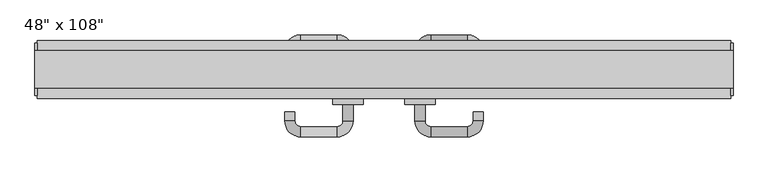
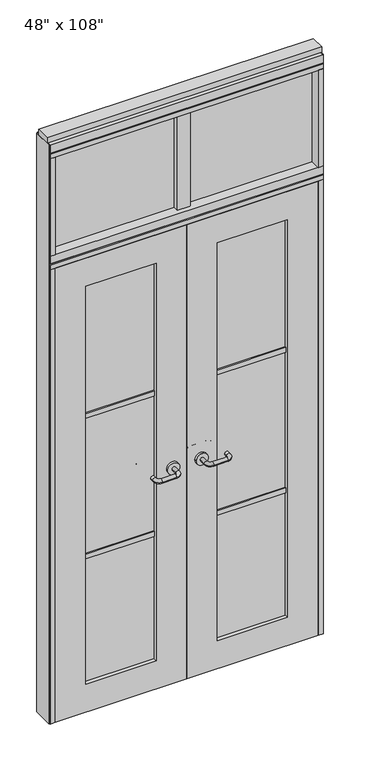
"""IFC4 building model written with IfcOpenShell, lengths in millimetres: furniture geometry."""

from ifc_helpers import new_model, si_unit, point, frame, frame_2d, origin, origin_with_axes, place, context, project, spatial, polyline, circle_curve, ellipse_curve, trimmed, segment, composite_curve, outline, extrude, source, transform, mapped, element, save
from ifc_brep_helpers import plane_surface, cylinder_surface, revolved_surface, advanced_brep


def furniture_dcf0b5da(model_context):
    return source(origin(), model_context, "Body", "SolidModel", [
        advanced_brep(
        [(-113.8845229, -0.4537216, 1016.0), (-131.6645229, -0.4537216, 1016.0), (-113.8845229, 28.1212784, 1016.0), (-131.6645229, 28.1212784, 1016.0), (-141.8245229, 38.2812784, 1016.0), (-141.8245229, 56.0612784, 1016.0), (-233.2645229, 12.2462784, 1016.0), (-215.4845229, 12.2462784, 1016.0), (-205.3245229, 56.0612784, 1016.0), (-205.3245229, 38.2812784, 1016.0), (-215.4845229, 28.1212784, 1016.0), (-233.2645229, 28.1212784, 1016.0)],
        [
            (0, 1, circle_curve(frame((-122.7745229, -0.4537216, 1016.0), z_axis=(0.0, -1.0, 0.0), x_axis=(-1.0, 0.0, 0.0)), 8.89)),
            (1, 0, circle_curve(frame((-122.7745229, -0.4537216, 1016.0), z_axis=(0.0, -1.0, 0.0), x_axis=(-1.0, 0.0, 0.0)), 8.89)),
            (0, 2),
            (2, 3, circle_curve(frame((-122.7745229, 28.1212784, 1016.0), z_axis=(0.0, -1.0, 0.0), x_axis=(-1.0, 0.0, 0.0)), 8.89)),
            (3, 1),
            (3, 2, circle_curve(frame((-122.7745229, 28.1212784, 1016.0), z_axis=(0.0, -1.0, 0.0), x_axis=(-1.0, 0.0, 0.0)), 8.89)),
            (4, 3, circle_curve(frame((-141.8245229, 28.1212784, 1016.0), z_axis=(0.0, 0.0, -1.0), x_axis=(1.0, 0.0, 0.0)), 10.16)),
            (2, 5, circle_curve(frame((-141.8245229, 28.1212784, 1016.0), z_axis=(0.0, 0.0, 1.0), x_axis=(1.0, 0.0, 0.0)), 27.94)),
            (5, 4, circle_curve(frame((-141.8245229, 47.1712784, 1016.0), z_axis=(1.0, 0.0, 0.0), x_axis=(0.0, -1.0, 0.0)), 8.89)),
            (4, 5, circle_curve(frame((-141.8245229, 47.1712784, 1016.0), z_axis=(1.0, 0.0, 0.0), x_axis=(0.0, -1.0, 0.0)), 8.89)),
            (6, 7, circle_curve(frame((-224.3745229, 12.2462784, 1016.0), z_axis=(0.0, -1.0, 0.0), x_axis=(1.0, 0.0, 0.0)), 8.89)),
            (7, 6, circle_curve(frame((-224.3745229, 12.2462784, 1016.0), z_axis=(0.0, -1.0, 0.0), x_axis=(1.0, 0.0, 0.0)), 8.89)),
            (5, 8),
            (8, 9, circle_curve(frame((-205.3245229, 47.1712784, 1016.0), z_axis=(1.0, 0.0, 0.0), x_axis=(0.0, -1.0, 0.0)), 8.89)),
            (9, 4),
            (9, 8, circle_curve(frame((-205.3245229, 47.1712784, 1016.0), z_axis=(1.0, 0.0, 0.0), x_axis=(0.0, -1.0, 0.0)), 8.89)),
            (10, 9, circle_curve(frame((-205.3245229, 28.1212784, 1016.0), z_axis=(0.0, 0.0, -1.0), x_axis=(0.0, 1.0, 0.0)), 10.16)),
            (8, 11, circle_curve(frame((-205.3245229, 28.1212784, 1016.0), z_axis=(0.0, 0.0, 1.0), x_axis=(0.0, 1.0, 0.0)), 27.94)),
            (11, 10, circle_curve(frame((-224.3745229, 28.1212784, 1016.0), z_axis=(0.0, 1.0, 0.0), x_axis=(1.0, 0.0, 0.0)), 8.89)),
            (10, 11, circle_curve(frame((-224.3745229, 28.1212784, 1016.0), z_axis=(0.0, 1.0, 0.0), x_axis=(1.0, 0.0, 0.0)), 8.89)),
            (11, 6),
            (7, 10),
        ],
        [
            plane_surface(frame((-122.7745229, -0.4537216, 1016.0), z_axis=(0.0, -1.0, 0.0), x_axis=(0.0, 0.0, 1.0))),
            cylinder_surface(frame((-122.7745229, -0.4537216, 1016.0), z_axis=(0.0, -1.0, 0.0), x_axis=(-1.0, 0.0, 0.0)), 8.89),
            revolved_surface(trimmed(ellipse_curve(frame((-122.7745229, 28.1212784, 1016.0), z_axis=(0.0, -1.0, 0.0), x_axis=(-1.0, 0.0, 0.0)), 8.89, 8.89), [point((-113.8845229, 28.1212784, 1016.0))], [point((-131.6645229, 28.1212784, 1016.0))], True, "CARTESIAN"), (-141.8245229, 28.1212784, 1016.0), (0.0, 0.0, 1.0)),
            revolved_surface(trimmed(ellipse_curve(frame((-122.7745229, 28.1212784, 1016.0), z_axis=(0.0, -1.0, 0.0), x_axis=(-1.0, 0.0, 0.0)), 8.89, 8.89), [point((-131.6645229, 28.1212784, 1016.0))], [point((-113.8845229, 28.1212784, 1016.0))], True, "CARTESIAN"), (-141.8245229, 28.1212784, 1016.0), (0.0, 0.0, 1.0)),
            plane_surface(frame((-224.3745229, 12.2462784, 1016.0), z_axis=(0.0, -1.0, 0.0), x_axis=(0.0, 0.0, 1.0))),
            cylinder_surface(frame((-141.8245229, 47.1712784, 1016.0), z_axis=(1.0, 0.0, 0.0), x_axis=(0.0, -1.0, 0.0)), 8.89),
            revolved_surface(trimmed(ellipse_curve(frame((-205.3245229, 47.1712784, 1016.0), z_axis=(1.0, 0.0, 0.0), x_axis=(0.0, -1.0, 0.0)), 8.89, 8.89), [point((-205.3245229, 56.0612784, 1016.0))], [point((-205.3245229, 38.2812784, 1016.0))], True, "CARTESIAN"), (-205.3245229, 28.1212784, 1016.0), (0.0, 0.0, 1.0)),
            revolved_surface(trimmed(ellipse_curve(frame((-205.3245229, 47.1712784, 1016.0), z_axis=(1.0, 0.0, 0.0), x_axis=(0.0, -1.0, 0.0)), 8.89, 8.89), [point((-205.3245229, 38.2812784, 1016.0))], [point((-205.3245229, 56.0612784, 1016.0))], True, "CARTESIAN"), (-205.3245229, 28.1212784, 1016.0), (0.0, 0.0, 1.0)),
            cylinder_surface(frame((-224.3745229, 28.1212784, 1016.0), z_axis=(0.0, 1.0, 0.0), x_axis=(1.0, 0.0, 0.0)), 8.89),
        ],
        [
            (0, [[1, 2]]),
            (1, [[-1, 3, 4, 5]]),
            (1, [[-2, -5, 6, -3]]),
            (2, [[7, -4, 8, 9]]),
            (3, [[-8, -6, -7, 10]]),
            (4, [[11, 12]]),
            (5, [[-9, 13, 14, 15]]),
            (5, [[-10, -15, 16, -13]]),
            (6, [[17, -14, 18, 19]]),
            (7, [[-18, -16, -17, 20]]),
            (8, [[-19, 21, -12, 22]]),
            (8, [[-20, -22, -11, -21]]),
        ],
    ),
        extrude(outline(composite_curve([segment(trimmed(circle_curve(frame_2d((1016.0, -122.7745229)), 26.924), [point((1016.0, -95.8505229))], [point((1016.0, -149.6985229))], False, "CARTESIAN"), True, "CONTINUOUS"), segment(trimmed(circle_curve(frame_2d((1016.0, -122.7745229)), 26.924), [point((1016.0, -149.6985229))], [point((1016.0, -95.8505229))], False, "CARTESIAN"), True, "CONTINUOUS")], self_intersect=False)), frame((0.0, -10.8677216, 0.0), z_axis=(0.0, 1.0, 0.0), x_axis=(0.0, 0.0, 1.0)), (0.0, 0.0, 1.0), 10.414),
        advanced_brep(
        [(-113.8845229, -65.7317216, 1016.0), (-131.6645229, -65.7317216, 1016.0), (-131.6645229, -94.3067216, 1016.0), (-113.8845229, -94.3067216, 1016.0), (-141.8245229, -104.4667216, 1016.0), (-141.8245229, -122.2467216, 1016.0), (-233.2645229, -78.4317216, 1016.0), (-215.4845229, -78.4317216, 1016.0), (-205.3245229, -104.4667216, 1016.0), (-205.3245229, -122.2467216, 1016.0), (-215.4845229, -94.3067216, 1016.0), (-233.2645229, -94.3067216, 1016.0)],
        [
            (0, 1, circle_curve(frame((-122.7745229, -65.7317216, 1016.0), z_axis=(0.0, 1.0, 0.0), x_axis=(-1.0, 0.0, 0.0)), 8.89)),
            (1, 0, circle_curve(frame((-122.7745229, -65.7317216, 1016.0), z_axis=(0.0, 1.0, 0.0), x_axis=(-1.0, 0.0, 0.0)), 8.89)),
            (1, 2),
            (2, 3, circle_curve(frame((-122.7745229, -94.3067216, 1016.0), z_axis=(0.0, 1.0, 0.0), x_axis=(-1.0, 0.0, 0.0)), 8.89)),
            (3, 0),
            (3, 2, circle_curve(frame((-122.7745229, -94.3067216, 1016.0), z_axis=(0.0, 1.0, 0.0), x_axis=(-1.0, 0.0, 0.0)), 8.89)),
            (4, 5, circle_curve(frame((-141.8245229, -113.3567216, 1016.0), z_axis=(1.0, 0.0, 0.0), x_axis=(0.0, 1.0, 0.0)), 8.89)),
            (5, 3, circle_curve(frame((-141.8245229, -94.3067216, 1016.0), z_axis=(0.0, 0.0, 1.0), x_axis=(1.0, 0.0, 0.0)), 27.94)),
            (2, 4, circle_curve(frame((-141.8245229, -94.3067216, 1016.0), z_axis=(0.0, 0.0, -1.0), x_axis=(1.0, 0.0, 0.0)), 10.16)),
            (5, 4, circle_curve(frame((-141.8245229, -113.3567216, 1016.0), z_axis=(1.0, 0.0, 0.0), x_axis=(0.0, 1.0, 0.0)), 8.89)),
            (6, 7, circle_curve(frame((-224.3745229, -78.4317216, 1016.0), z_axis=(0.0, 1.0, 0.0), x_axis=(1.0, 0.0, 0.0)), 8.89)),
            (7, 6, circle_curve(frame((-224.3745229, -78.4317216, 1016.0), z_axis=(0.0, 1.0, 0.0), x_axis=(1.0, 0.0, 0.0)), 8.89)),
            (4, 8),
            (8, 9, circle_curve(frame((-205.3245229, -113.3567216, 1016.0), z_axis=(1.0, 0.0, 0.0), x_axis=(0.0, 1.0, 0.0)), 8.89)),
            (9, 5),
            (9, 8, circle_curve(frame((-205.3245229, -113.3567216, 1016.0), z_axis=(1.0, 0.0, 0.0), x_axis=(0.0, 1.0, 0.0)), 8.89)),
            (10, 11, circle_curve(frame((-224.3745229, -94.3067216, 1016.0), z_axis=(0.0, -1.0, 0.0), x_axis=(1.0, 0.0, 0.0)), 8.89)),
            (11, 9, circle_curve(frame((-205.3245229, -94.3067216, 1016.0), z_axis=(0.0, 0.0, 1.0), x_axis=(0.0, -1.0, 0.0)), 27.94)),
            (8, 10, circle_curve(frame((-205.3245229, -94.3067216, 1016.0), z_axis=(0.0, 0.0, -1.0), x_axis=(0.0, -1.0, 0.0)), 10.16)),
            (11, 10, circle_curve(frame((-224.3745229, -94.3067216, 1016.0), z_axis=(0.0, -1.0, 0.0), x_axis=(1.0, 0.0, 0.0)), 8.89)),
            (10, 7),
            (6, 11),
        ],
        [
            plane_surface(frame((-122.7745229, -65.7317216, 1016.0), z_axis=(0.0, 1.0, 0.0), x_axis=(0.0, 0.0, 1.0))),
            cylinder_surface(frame((-122.7745229, -65.7317216, 1016.0), z_axis=(0.0, 1.0, 0.0), x_axis=(-1.0, 0.0, 0.0)), 8.89),
            revolved_surface(trimmed(ellipse_curve(frame((-122.7745229, -94.3067216, 1016.0), z_axis=(0.0, -1.0, 0.0), x_axis=(-1.0, 0.0, 0.0)), 8.89, 8.89), [point((-113.8845229, -94.3067216, 1016.0))], [point((-131.6645229, -94.3067216, 1016.0))], True, "CARTESIAN"), (-141.8245229, -94.3067216, 1016.0), (0.0, 0.0, 1.0)),
            revolved_surface(trimmed(ellipse_curve(frame((-122.7745229, -94.3067216, 1016.0), z_axis=(0.0, -1.0, 0.0), x_axis=(-1.0, 0.0, 0.0)), 8.89, 8.89), [point((-131.6645229, -94.3067216, 1016.0))], [point((-113.8845229, -94.3067216, 1016.0))], True, "CARTESIAN"), (-141.8245229, -94.3067216, 1016.0), (0.0, 0.0, 1.0)),
            plane_surface(frame((-224.3745229, -78.4317216, 1016.0), z_axis=(0.0, 1.0, 0.0), x_axis=(0.0, 0.0, 1.0))),
            cylinder_surface(frame((-141.8245229, -113.3567216, 1016.0), z_axis=(1.0, 0.0, 0.0), x_axis=(0.0, 1.0, 0.0)), 8.89),
            revolved_surface(trimmed(ellipse_curve(frame((-205.3245229, -113.3567216, 1016.0), z_axis=(-1.0, 0.0, 0.0), x_axis=(0.0, 1.0, 0.0)), 8.89, 8.89), [point((-205.3245229, -122.2467216, 1016.0))], [point((-205.3245229, -104.4667216, 1016.0))], True, "CARTESIAN"), (-205.3245229, -94.3067216, 1016.0), (0.0, 0.0, 1.0)),
            revolved_surface(trimmed(ellipse_curve(frame((-205.3245229, -113.3567216, 1016.0), z_axis=(-1.0, 0.0, 0.0), x_axis=(0.0, 1.0, 0.0)), 8.89, 8.89), [point((-205.3245229, -104.4667216, 1016.0))], [point((-205.3245229, -122.2467216, 1016.0))], True, "CARTESIAN"), (-205.3245229, -94.3067216, 1016.0), (0.0, 0.0, 1.0)),
            cylinder_surface(frame((-224.3745229, -94.3067216, 1016.0), z_axis=(0.0, -1.0, 0.0), x_axis=(1.0, 0.0, 0.0)), 8.89),
        ],
        [
            (0, [[1, 2]]),
            (1, [[3, 4, 5, -2]]),
            (1, [[-5, 6, -3, -1]]),
            (2, [[7, 8, -4, 9]]),
            (3, [[10, -9, -6, -8]]),
            (4, [[11, 12]]),
            (5, [[13, 14, 15, -7]]),
            (5, [[-15, 16, -13, -10]]),
            (6, [[17, 18, -14, 19]]),
            (7, [[20, -19, -16, -18]]),
            (8, [[21, -11, 22, -17]]),
            (8, [[-22, -12, -21, -20]]),
        ],
    ),
        extrude(outline(composite_curve([segment(trimmed(circle_curve(frame_2d((1016.0, -122.7745229)), 26.924), [point((1016.0, -95.8505229))], [point((1016.0, -149.6985229))], False, "CARTESIAN"), True, "CONTINUOUS"), segment(trimmed(circle_curve(frame_2d((1016.0, -122.7745229)), 26.924), [point((1016.0, -149.6985229))], [point((1016.0, -95.8505229))], False, "CARTESIAN"), True, "CONTINUOUS")], self_intersect=False)), frame((0.0, -65.7317216, 0.0), z_axis=(0.0, 1.0, 0.0), x_axis=(0.0, 0.0, 1.0)), (0.0, 0.0, 1.0), 10.414),
        extrude(outline(polyline([(-196.0535229, -44.2052216), (-507.4575229, -44.2052216), (-507.4575229, -21.9802216), (-196.0535229, -21.9802216), (-196.0535229, -44.2052216)])), frame((0.0, 0.0, 1371.6), z_axis=(0.0, 0.0, 1.0), x_axis=(1.0, 0.0, 0.0)), (0.0, 0.0, 1.0), 22.225),
        extrude(outline(polyline([(-196.0535229, -44.2052216), (-507.4575229, -44.2052216), (-507.4575229, -21.9802216), (-196.0535229, -21.9802216), (-196.0535229, -44.2052216)])), frame((0.0, 0.0, 711.2), z_axis=(0.0, 0.0, 1.0), x_axis=(1.0, 0.0, 0.0)), (0.0, 0.0, 1.0), 22.225),
        extrude(outline(polyline([(-507.4575229, -38.1727216), (-507.4575229, -28.0127216), (-196.0535229, -28.0127216), (-196.0535229, -38.1727216), (-507.4575229, -38.1727216)])), frame((0.0, 0.0, 132.969), z_axis=(0.0, 0.0, 1.0), x_axis=(1.0, 0.0, 0.0)), (0.0, 0.0, 1.0), 1867.662),
        extrude(outline(polyline([(2133.6, -643.4745229), (0.0, -643.4745229), (0.0, -60.0365229), (2133.6, -60.0365229), (2133.6, -643.4745229)]), holes=[polyline([(2000.631, -507.4575229), (2000.631, -196.0535229), (132.969, -196.0535229), (132.969, -507.4575229), (2000.631, -507.4575229)])]), frame((0.0, -55.3177216, 0.0), z_axis=(0.0, 1.0, 0.0), x_axis=(0.0, 0.0, 1.0)), (0.0, 0.0, 1.0), 44.45),
        extrude(outline(polyline([(-31.4615229, -33.0927216), (-88.6115229, -33.0927216), (-88.6115229, 24.0572784), (-31.4615229, 24.0572784), (-31.4615229, -33.0927216)])), frame((0.0, 0.0, 2197.1), z_axis=(0.0, 0.0, 1.0), x_axis=(1.0, 0.0, 0.0)), (0.0, 0.0, 1.0), 457.2),
        extrude(outline(polyline([(523.4014771, -9.5977216), (-643.4745229, -9.5977216), (-643.4745229, 0.5622784), (523.4014771, 0.5622784), (523.4014771, -9.5977216)])), frame((0.0, 0.0, 2197.1), z_axis=(0.0, 0.0, 1.0), x_axis=(1.0, 0.0, 0.0)), (0.0, 0.0, 1.0), 457.2),
        advanced_brep(
        [(-6.1885229, -0.4537216, 1016.0), (11.5914771, -0.4537216, 1016.0), (11.5914771, 28.1212784, 1016.0), (-6.1885229, 28.1212784, 1016.0), (21.7514771, 38.2812784, 1016.0), (21.7514771, 56.0612784, 1016.0), (113.1914771, 12.2462784, 1016.0), (95.4114771, 12.2462784, 1016.0), (85.2514771, 38.2812784, 1016.0), (85.2514771, 56.0612784, 1016.0), (95.4114771, 28.1212784, 1016.0), (113.1914771, 28.1212784, 1016.0)],
        [
            (0, 1, circle_curve(frame((2.7014771, -0.4537216, 1016.0), z_axis=(0.0, -1.0, 0.0), x_axis=(1.0, 0.0, 0.0)), 8.89)),
            (1, 0, circle_curve(frame((2.7014771, -0.4537216, 1016.0), z_axis=(0.0, -1.0, 0.0), x_axis=(1.0, 0.0, 0.0)), 8.89)),
            (1, 2),
            (2, 3, circle_curve(frame((2.7014771, 28.1212784, 1016.0), z_axis=(0.0, -1.0, 0.0), x_axis=(1.0, 0.0, 0.0)), 8.89)),
            (3, 0),
            (3, 2, circle_curve(frame((2.7014771, 28.1212784, 1016.0), z_axis=(0.0, -1.0, 0.0), x_axis=(1.0, 0.0, 0.0)), 8.89)),
            (4, 5, circle_curve(frame((21.7514771, 47.1712784, 1016.0), z_axis=(-1.0, 0.0, 0.0), x_axis=(0.0, -1.0, 0.0)), 8.89)),
            (5, 3, circle_curve(frame((21.7514771, 28.1212784, 1016.0), z_axis=(0.0, 0.0, 1.0), x_axis=(-1.0, 0.0, 0.0)), 27.94)),
            (2, 4, circle_curve(frame((21.7514771, 28.1212784, 1016.0), z_axis=(0.0, 0.0, -1.0), x_axis=(-1.0, 0.0, 0.0)), 10.16)),
            (5, 4, circle_curve(frame((21.7514771, 47.1712784, 1016.0), z_axis=(-1.0, 0.0, 0.0), x_axis=(0.0, -1.0, 0.0)), 8.89)),
            (6, 7, circle_curve(frame((104.3014771, 12.2462784, 1016.0), z_axis=(0.0, -1.0, 0.0), x_axis=(-1.0, 0.0, 0.0)), 8.89)),
            (7, 6, circle_curve(frame((104.3014771, 12.2462784, 1016.0), z_axis=(0.0, -1.0, 0.0), x_axis=(-1.0, 0.0, 0.0)), 8.89)),
            (4, 8),
            (8, 9, circle_curve(frame((85.2514771, 47.1712784, 1016.0), z_axis=(-1.0, 0.0, 0.0), x_axis=(0.0, -1.0, 0.0)), 8.89)),
            (9, 5),
            (9, 8, circle_curve(frame((85.2514771, 47.1712784, 1016.0), z_axis=(-1.0, 0.0, 0.0), x_axis=(0.0, -1.0, 0.0)), 8.89)),
            (10, 11, circle_curve(frame((104.3014771, 28.1212784, 1016.0), z_axis=(0.0, 1.0, 0.0), x_axis=(-1.0, 0.0, 0.0)), 8.89)),
            (11, 9, circle_curve(frame((85.2514771, 28.1212784, 1016.0), z_axis=(0.0, 0.0, 1.0), x_axis=(0.0, 1.0, 0.0)), 27.94)),
            (8, 10, circle_curve(frame((85.2514771, 28.1212784, 1016.0), z_axis=(0.0, 0.0, -1.0), x_axis=(0.0, 1.0, 0.0)), 10.16)),
            (11, 10, circle_curve(frame((104.3014771, 28.1212784, 1016.0), z_axis=(0.0, 1.0, 0.0), x_axis=(-1.0, 0.0, 0.0)), 8.89)),
            (10, 7),
            (6, 11),
        ],
        [
            plane_surface(frame((2.7014771, -0.4537216, 1016.0), z_axis=(0.0, -1.0, 0.0), x_axis=(0.0, 0.0, 1.0))),
            cylinder_surface(frame((2.7014771, -0.4537216, 1016.0), z_axis=(0.0, -1.0, 0.0), x_axis=(1.0, 0.0, 0.0)), 8.89),
            revolved_surface(trimmed(ellipse_curve(frame((2.7014771, 28.1212784, 1016.0), z_axis=(0.0, 1.0, 0.0), x_axis=(1.0, 0.0, 0.0)), 8.89, 8.89), [point((-6.1885229, 28.1212784, 1016.0))], [point((11.5914771, 28.1212784, 1016.0))], True, "CARTESIAN"), (21.7514771, 28.1212784, 1016.0), (0.0, 0.0, 1.0)),
            revolved_surface(trimmed(ellipse_curve(frame((2.7014771, 28.1212784, 1016.0), z_axis=(0.0, 1.0, 0.0), x_axis=(1.0, 0.0, 0.0)), 8.89, 8.89), [point((11.5914771, 28.1212784, 1016.0))], [point((-6.1885229, 28.1212784, 1016.0))], True, "CARTESIAN"), (21.7514771, 28.1212784, 1016.0), (0.0, 0.0, 1.0)),
            plane_surface(frame((104.3014771, 12.2462784, 1016.0), z_axis=(0.0, -1.0, 0.0), x_axis=(0.0, 0.0, 1.0))),
            cylinder_surface(frame((21.7514771, 47.1712784, 1016.0), z_axis=(-1.0, 0.0, 0.0), x_axis=(0.0, -1.0, 0.0)), 8.89),
            revolved_surface(trimmed(ellipse_curve(frame((85.2514771, 47.1712784, 1016.0), z_axis=(1.0, 0.0, 0.0), x_axis=(0.0, -1.0, 0.0)), 8.89, 8.89), [point((85.2514771, 56.0612784, 1016.0))], [point((85.2514771, 38.2812784, 1016.0))], True, "CARTESIAN"), (85.2514771, 28.1212784, 1016.0), (0.0, 0.0, 1.0)),
            revolved_surface(trimmed(ellipse_curve(frame((85.2514771, 47.1712784, 1016.0), z_axis=(1.0, 0.0, 0.0), x_axis=(0.0, -1.0, 0.0)), 8.89, 8.89), [point((85.2514771, 38.2812784, 1016.0))], [point((85.2514771, 56.0612784, 1016.0))], True, "CARTESIAN"), (85.2514771, 28.1212784, 1016.0), (0.0, 0.0, 1.0)),
            cylinder_surface(frame((104.3014771, 28.1212784, 1016.0), z_axis=(0.0, 1.0, 0.0), x_axis=(-1.0, 0.0, 0.0)), 8.89),
        ],
        [
            (0, [[1, 2]]),
            (1, [[3, 4, 5, -2]]),
            (1, [[-5, 6, -3, -1]]),
            (2, [[7, 8, -4, 9]]),
            (3, [[10, -9, -6, -8]]),
            (4, [[11, 12]]),
            (5, [[13, 14, 15, -7]]),
            (5, [[-15, 16, -13, -10]]),
            (6, [[17, 18, -14, 19]]),
            (7, [[20, -19, -16, -18]]),
            (8, [[21, -11, 22, -17]]),
            (8, [[-22, -12, -21, -20]]),
        ],
    ),
        extrude(outline(composite_curve([segment(trimmed(circle_curve(frame_2d((1016.0, 2.7014771)), 26.924), [point((1016.0, -24.2225229))], [point((1016.0, 29.6254771))], False, "CARTESIAN"), True, "CONTINUOUS"), segment(trimmed(circle_curve(frame_2d((1016.0, 2.7014771)), 26.924), [point((1016.0, 29.6254771))], [point((1016.0, -24.2225229))], False, "CARTESIAN"), True, "CONTINUOUS")], self_intersect=False)), frame((0.0, -10.8677216, 0.0), z_axis=(0.0, 1.0, 0.0), x_axis=(0.0, 0.0, 1.0)), (0.0, 0.0, 1.0), 10.414),
        advanced_brep(
        [(-6.1885229, -65.7317216, 1016.0), (11.5914771, -65.7317216, 1016.0), (-6.1885229, -94.3067216, 1016.0), (11.5914771, -94.3067216, 1016.0), (21.7514771, -104.4667216, 1016.0), (21.7514771, -122.2467216, 1016.0), (113.1914771, -78.4317216, 1016.0), (95.4114771, -78.4317216, 1016.0), (85.2514771, -122.2467216, 1016.0), (85.2514771, -104.4667216, 1016.0), (95.4114771, -94.3067216, 1016.0), (113.1914771, -94.3067216, 1016.0)],
        [
            (0, 1, circle_curve(frame((2.7014771, -65.7317216, 1016.0), z_axis=(0.0, 1.0, 0.0), x_axis=(1.0, 0.0, 0.0)), 8.89)),
            (1, 0, circle_curve(frame((2.7014771, -65.7317216, 1016.0), z_axis=(0.0, 1.0, 0.0), x_axis=(1.0, 0.0, 0.0)), 8.89)),
            (0, 2),
            (2, 3, circle_curve(frame((2.7014771, -94.3067216, 1016.0), z_axis=(0.0, 1.0, 0.0), x_axis=(1.0, 0.0, 0.0)), 8.89)),
            (3, 1),
            (3, 2, circle_curve(frame((2.7014771, -94.3067216, 1016.0), z_axis=(0.0, 1.0, 0.0), x_axis=(1.0, 0.0, 0.0)), 8.89)),
            (4, 3, circle_curve(frame((21.7514771, -94.3067216, 1016.0), z_axis=(0.0, 0.0, -1.0), x_axis=(-1.0, 0.0, 0.0)), 10.16)),
            (2, 5, circle_curve(frame((21.7514771, -94.3067216, 1016.0), z_axis=(0.0, 0.0, 1.0), x_axis=(-1.0, 0.0, 0.0)), 27.94)),
            (5, 4, circle_curve(frame((21.7514771, -113.3567216, 1016.0), z_axis=(-1.0, 0.0, 0.0), x_axis=(0.0, 1.0, 0.0)), 8.89)),
            (4, 5, circle_curve(frame((21.7514771, -113.3567216, 1016.0), z_axis=(-1.0, 0.0, 0.0), x_axis=(0.0, 1.0, 0.0)), 8.89)),
            (6, 7, circle_curve(frame((104.3014771, -78.4317216, 1016.0), z_axis=(0.0, 1.0, 0.0), x_axis=(-1.0, 0.0, 0.0)), 8.89)),
            (7, 6, circle_curve(frame((104.3014771, -78.4317216, 1016.0), z_axis=(0.0, 1.0, 0.0), x_axis=(-1.0, 0.0, 0.0)), 8.89)),
            (5, 8),
            (8, 9, circle_curve(frame((85.2514771, -113.3567216, 1016.0), z_axis=(-1.0, 0.0, 0.0), x_axis=(0.0, 1.0, 0.0)), 8.89)),
            (9, 4),
            (9, 8, circle_curve(frame((85.2514771, -113.3567216, 1016.0), z_axis=(-1.0, 0.0, 0.0), x_axis=(0.0, 1.0, 0.0)), 8.89)),
            (10, 9, circle_curve(frame((85.2514771, -94.3067216, 1016.0), z_axis=(0.0, 0.0, -1.0), x_axis=(0.0, -1.0, 0.0)), 10.16)),
            (8, 11, circle_curve(frame((85.2514771, -94.3067216, 1016.0), z_axis=(0.0, 0.0, 1.0), x_axis=(0.0, -1.0, 0.0)), 27.94)),
            (11, 10, circle_curve(frame((104.3014771, -94.3067216, 1016.0), z_axis=(0.0, -1.0, 0.0), x_axis=(-1.0, 0.0, 0.0)), 8.89)),
            (10, 11, circle_curve(frame((104.3014771, -94.3067216, 1016.0), z_axis=(0.0, -1.0, 0.0), x_axis=(-1.0, 0.0, 0.0)), 8.89)),
            (11, 6),
            (7, 10),
        ],
        [
            plane_surface(frame((2.7014771, -65.7317216, 1016.0), z_axis=(0.0, 1.0, 0.0), x_axis=(0.0, 0.0, 1.0))),
            cylinder_surface(frame((2.7014771, -65.7317216, 1016.0), z_axis=(0.0, 1.0, 0.0), x_axis=(1.0, 0.0, 0.0)), 8.89),
            revolved_surface(trimmed(ellipse_curve(frame((2.7014771, -94.3067216, 1016.0), z_axis=(0.0, 1.0, 0.0), x_axis=(1.0, 0.0, 0.0)), 8.89, 8.89), [point((-6.1885229, -94.3067216, 1016.0))], [point((11.5914771, -94.3067216, 1016.0))], True, "CARTESIAN"), (21.7514771, -94.3067216, 1016.0), (0.0, 0.0, 1.0)),
            revolved_surface(trimmed(ellipse_curve(frame((2.7014771, -94.3067216, 1016.0), z_axis=(0.0, 1.0, 0.0), x_axis=(1.0, 0.0, 0.0)), 8.89, 8.89), [point((11.5914771, -94.3067216, 1016.0))], [point((-6.1885229, -94.3067216, 1016.0))], True, "CARTESIAN"), (21.7514771, -94.3067216, 1016.0), (0.0, 0.0, 1.0)),
            plane_surface(frame((104.3014771, -78.4317216, 1016.0), z_axis=(0.0, 1.0, 0.0), x_axis=(0.0, 0.0, 1.0))),
            cylinder_surface(frame((21.7514771, -113.3567216, 1016.0), z_axis=(-1.0, 0.0, 0.0), x_axis=(0.0, 1.0, 0.0)), 8.89),
            revolved_surface(trimmed(ellipse_curve(frame((85.2514771, -113.3567216, 1016.0), z_axis=(-1.0, 0.0, 0.0), x_axis=(0.0, 1.0, 0.0)), 8.89, 8.89), [point((85.2514771, -122.2467216, 1016.0))], [point((85.2514771, -104.4667216, 1016.0))], True, "CARTESIAN"), (85.2514771, -94.3067216, 1016.0), (0.0, 0.0, 1.0)),
            revolved_surface(trimmed(ellipse_curve(frame((85.2514771, -113.3567216, 1016.0), z_axis=(-1.0, 0.0, 0.0), x_axis=(0.0, 1.0, 0.0)), 8.89, 8.89), [point((85.2514771, -104.4667216, 1016.0))], [point((85.2514771, -122.2467216, 1016.0))], True, "CARTESIAN"), (85.2514771, -94.3067216, 1016.0), (0.0, 0.0, 1.0)),
            cylinder_surface(frame((104.3014771, -94.3067216, 1016.0), z_axis=(0.0, -1.0, 0.0), x_axis=(-1.0, 0.0, 0.0)), 8.89),
        ],
        [
            (0, [[1, 2]]),
            (1, [[-1, 3, 4, 5]]),
            (1, [[-2, -5, 6, -3]]),
            (2, [[7, -4, 8, 9]]),
            (3, [[-8, -6, -7, 10]]),
            (4, [[11, 12]]),
            (5, [[-9, 13, 14, 15]]),
            (5, [[-10, -15, 16, -13]]),
            (6, [[17, -14, 18, 19]]),
            (7, [[-18, -16, -17, 20]]),
            (8, [[-19, 21, -12, 22]]),
            (8, [[-20, -22, -11, -21]]),
        ],
    ),
        extrude(outline(composite_curve([segment(trimmed(circle_curve(frame_2d((1016.0, 2.7014771)), 26.924), [point((1016.0, -24.2225229))], [point((1016.0, 29.6254771))], False, "CARTESIAN"), True, "CONTINUOUS"), segment(trimmed(circle_curve(frame_2d((1016.0, 2.7014771)), 26.924), [point((1016.0, 29.6254771))], [point((1016.0, -24.2225229))], False, "CARTESIAN"), True, "CONTINUOUS")], self_intersect=False)), frame((0.0, -65.7317216, 0.0), z_axis=(0.0, 1.0, 0.0), x_axis=(0.0, 0.0, 1.0)), (0.0, 0.0, 1.0), 10.414),
        extrude(outline(polyline([(75.9804771, -44.2052216), (75.9804771, -21.9802216), (387.3844771, -21.9802216), (387.3844771, -44.2052216), (75.9804771, -44.2052216)])), frame((0.0, 0.0, 1371.6), z_axis=(0.0, 0.0, 1.0), x_axis=(1.0, 0.0, 0.0)), (0.0, 0.0, 1.0), 22.225),
        extrude(outline(polyline([(75.9804771, -44.2052216), (75.9804771, -21.9802216), (387.3844771, -21.9802216), (387.3844771, -44.2052216), (75.9804771, -44.2052216)])), frame((0.0, 0.0, 711.2), z_axis=(0.0, 0.0, 1.0), x_axis=(1.0, 0.0, 0.0)), (0.0, 0.0, 1.0), 22.225),
        extrude(outline(polyline([(387.3844771, -38.1727216), (75.9804771, -38.1727216), (75.9804771, -28.0127216), (387.3844771, -28.0127216), (387.3844771, -38.1727216)])), frame((0.0, 0.0, 132.969), z_axis=(0.0, 0.0, 1.0), x_axis=(1.0, 0.0, 0.0)), (0.0, 0.0, 1.0), 1867.662),
        extrude(outline(polyline([(2133.6, 523.4014771), (2133.6, -60.0365229), (0.0, -60.0365229), (0.0, 523.4014771), (2133.6, 523.4014771)]), holes=[polyline([(2000.631, 387.3844771), (132.969, 387.3844771), (132.969, 75.9804771), (2000.631, 75.9804771), (2000.631, 387.3844771)])]), frame((0.0, -55.3177216, 0.0), z_axis=(0.0, 1.0, 0.0), x_axis=(0.0, 0.0, 1.0)), (0.0, 0.0, 1.0), 44.45),
        extrude(outline(polyline([(-643.4745229, -55.3177216), (-665.6995229, -55.3177216), (-665.6995229, 46.2822784), (-643.4745229, 46.2822784), (-643.4745229, -55.3177216)])), frame((0.0, 0.0, 2197.1), z_axis=(0.0, 0.0, 1.0), x_axis=(1.0, 0.0, 0.0)), (0.0, 0.0, 1.0), 457.2),
        extrude(outline(polyline([(523.4014771, -55.3177216), (523.4014771, 46.2822784), (545.6264771, 46.2822784), (545.6264771, -55.3177216), (523.4014771, -55.3177216)])), frame((0.0, 0.0, 2197.1), z_axis=(0.0, 0.0, 1.0), x_axis=(1.0, 0.0, 0.0)), (0.0, 0.0, 1.0), 457.2),
        extrude(outline(polyline([(-665.6995229, -55.3177216), (-665.6995229, 46.2822784), (545.6264771, 46.2822784), (545.6264771, -55.3177216), (-665.6995229, -55.3177216)])), frame((0.0, 0.0, 2133.6), z_axis=(0.0, 0.0, 1.0), x_axis=(1.0, 0.0, 0.0)), (0.0, 0.0, 1.0), 22.225),
        extrude(outline(polyline([(-55.3177216, 2160.778), (-55.3177216, 2197.1), (46.2822784, 2197.1), (46.2822784, 2160.778), (41.3292784, 2160.778), (41.3292784, 2155.825), (-50.3647216, 2155.825), (-50.3647216, 2160.778), (-55.3177216, 2160.778)])), frame((-665.6995229, 0.0, 0.0), z_axis=(1.0, 0.0, 0.0), x_axis=(0.0, 1.0, 0.0)), (0.0, 0.0, 1.0), 1211.326),
        extrude(outline(polyline([(-665.6995229, -55.3177216), (-665.6995229, 46.2822784), (545.6264771, 46.2822784), (545.6264771, -55.3177216), (-665.6995229, -55.3177216)])), frame((0.0, 0.0, 2654.3), z_axis=(0.0, 0.0, 1.0), x_axis=(1.0, 0.0, 0.0)), (0.0, 0.0, 1.0), 22.225),
        extrude(outline(polyline([(549.5634771, -50.3647216), (545.6264771, -50.3647216), (545.6264771, 41.3292784), (549.5634771, 41.3292784), (549.5634771, -50.3647216)])), origin_with_axes(), (0.0, 0.0, 1.0), 2717.8),
        extrude(outline(polyline([(-669.6365229, -50.3647216), (-669.6365229, 41.3292784), (-665.6995229, 41.3292784), (-665.6995229, -50.3647216), (-669.6365229, -50.3647216)])), origin_with_axes(), (0.0, 0.0, 1.0), 2717.8),
        extrude(outline(polyline([(523.4014771, -55.3177216), (523.4014771, 46.2822784), (545.6264771, 46.2822784), (545.6264771, -55.3177216), (523.4014771, -55.3177216)])), origin_with_axes(), (0.0, 0.0, 1.0), 2133.6),
        extrude(outline(polyline([(-643.4745229, -55.3177216), (-665.6995229, -55.3177216), (-665.6995229, 46.2822784), (-643.4745229, 46.2822784), (-643.4745229, -55.3177216)])), origin_with_axes(), (0.0, 0.0, 1.0), 2133.6),
        extrude(outline(polyline([(-55.3177216, 2681.478), (-55.3177216, 2717.8), (46.2822784, 2717.8), (46.2822784, 2681.478), (41.3292784, 2681.478), (41.3292784, 2676.525), (-50.3647216, 2676.525), (-50.3647216, 2681.478), (-55.3177216, 2681.478)])), frame((-665.6995229, 0.0, 0.0), z_axis=(1.0, 0.0, 0.0), x_axis=(0.0, 1.0, 0.0)), (0.0, 0.0, 1.0), 1211.326),
        extrude(outline(polyline([(-669.6365229, -37.0297216), (-669.6365229, 27.9942784), (549.5634771, 27.9942784), (549.5634771, -37.0297216), (-669.6365229, -37.0297216)])), frame((0.0, 0.0, 2717.8), z_axis=(0.0, 0.0, 1.0), x_axis=(1.0, 0.0, 0.0)), (0.0, 0.0, 1.0), 25.4),
    ])


if __name__ == "__main__":
    model = new_model("IFC4")
    model_context = context("Model", 3, world=origin())
    ifc_project = project(units=[si_unit("LENGTHUNIT", "METRE", prefix="MILLI")], contexts=[model_context])
    site = spatial("IfcSite", under=ifc_project)
    building = spatial("IfcBuilding", under=site)
    placement = place(None, origin())
    furniture_shape = furniture_dcf0b5da(model_context)
    element("IfcFurniture", 1, ObjectType="48\" x 108\"", at=placement, inside=building, context=model_context, shape_type="MappedRepresentation", body=[
        mapped(furniture_shape, transform((0.0, 0.0, 0.0), x_axis=(1.0, 0.0, 0.0), y_axis=(0.0, 1.0, 0.0), z_axis=(0.0, 0.0, 1.0))),
    ])
    save(model, "model.ifc")
